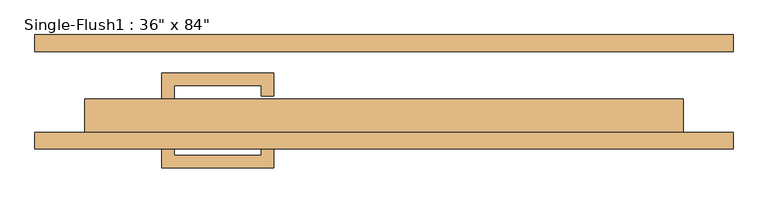
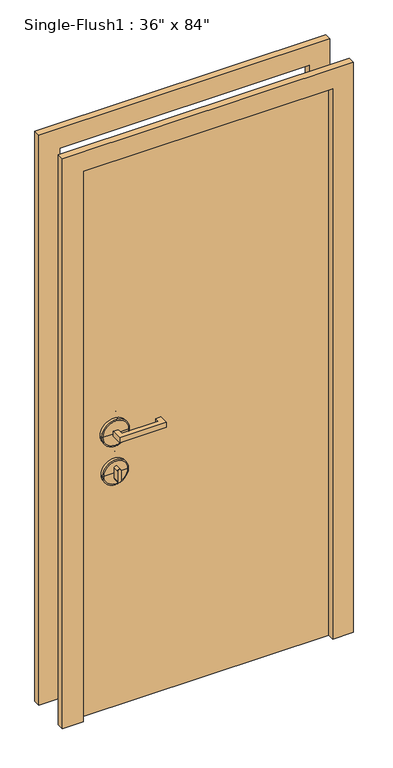
"""IFC4 building model written with IfcOpenShell, lengths in millimetres: door geometry."""

import ifcopenshell
import ifcopenshell.guid

model = None  # the IFC model being written
_history = None  # IfcOwnerHistory: only IFC2X3 demands one
_inside = {}  # id of a spatial element -> (the spatial element, [elements in it])
_under = {}  # id of a project, library or spatial element -> (it, [spatial elements below it])
_declared = {}  # id of a project -> (the project, [libraries it declares])
_typed = {}  # id of a type object -> (the type object, [elements of that type])
_made_of = {}  # id of a material, layer set ... -> (it, [elements and type objects made of it])


def new_model(schema):
    """Start an empty IFC model of exactly this schema.

    Asked for "IFC4X3", IfcOpenShell would pick the latest addendum, in which some entities
    have other attributes; the version numbers below select the first issue.
    IFC2X3 requires an IfcOwnerHistory on every rooted entity: one is made here for all.
    """
    global model, _history
    if schema == "IFC4X3":
        model = ifcopenshell.file(schema_version=(4, 3, 0, 0))
    else:
        model = ifcopenshell.file(schema=schema)
    _inside.clear()
    _under.clear()
    _declared.clear()
    _typed.clear()
    _made_of.clear()
    _history = None
    if model.schema == "IFC2X3":
        org = make("IfcOrganization", Name="unknown")
        user = make(
            "IfcPersonAndOrganization",
            ThePerson=make("IfcPerson", FamilyName="unknown"),
            TheOrganization=org,
        )
        app = make(
            "IfcApplication",
            ApplicationDeveloper=org,
            Version="unknown",
            ApplicationFullName="unknown",
            ApplicationIdentifier="unknown",
        )
        _history = make(
            "IfcOwnerHistory",
            OwningUser=user,
            OwningApplication=app,
            ChangeAction="ADDED",
            CreationDate=0,
        )
    return model


def make(cls, **values):
    """One entity of the class cls with the attributes given. An attribute that is None is left unset."""
    return model.create_entity(
        cls, **{name: value for name, value in values.items() if value is not None}
    )


def rooted(cls, **values):
    """An entity with a GlobalId (a new one), such as an element, a storey or a relation."""
    return make(cls, GlobalId=ifcopenshell.guid.new(), OwnerHistory=_history, **values)


def si_unit(unit_type, name, prefix=None):
    """IfcSIUnit, for example si_unit("LENGTHUNIT", "METRE", prefix="MILLI")."""
    return make("IfcSIUnit", UnitType=unit_type, Prefix=prefix, Name=name)


def assignment(units):
    """IfcUnitAssignment: the units of a project."""
    return None if units is None else make("IfcUnitAssignment", Units=units)


def point(xyz):
    """IfcCartesianPoint."""
    return None if xyz is None else make("IfcCartesianPoint", Coordinates=xyz)


def direction(xyz):
    """IfcDirection."""
    return None if xyz is None else make("IfcDirection", DirectionRatios=xyz)


def frame(location, z_axis=None, x_axis=None):
    """IfcAxis2Placement3D, a coordinate frame: its origin and axes. An axis left out is left unset."""
    return make(
        "IfcAxis2Placement3D",
        Location=point(location),
        Axis=direction(z_axis),
        RefDirection=direction(x_axis),
    )


def frame_2d(location, x_axis=None):
    """IfcAxis2Placement2D, a coordinate frame in the plane: its origin and x axis."""
    return make(
        "IfcAxis2Placement2D", Location=point(location), RefDirection=direction(x_axis)
    )


def origin():
    """The frame at (0, 0, 0) with its axes left unset."""
    return frame((0.0, 0.0, 0.0))


def origin_with_axes():
    """The frame at (0, 0, 0) with the z axis (0, 0, 1) and the x axis (1, 0, 0) written out."""
    return frame((0.0, 0.0, 0.0), z_axis=(0.0, 0.0, 1.0), x_axis=(1.0, 0.0, 0.0))


def place(relative_to, where):
    """IfcLocalPlacement: puts the frame where relative to a parent placement (None: the world)."""
    return make(
        "IfcLocalPlacement", PlacementRelTo=relative_to, RelativePlacement=where
    )


def context(
    kind, dimensions, precision=None, world=None, true_north=None, identifier=None
):
    """IfcGeometricRepresentationContext, for example the 3D "Model" context."""
    return make(
        "IfcGeometricRepresentationContext",
        ContextIdentifier=identifier,
        ContextType=kind,
        CoordinateSpaceDimension=dimensions,
        Precision=precision,
        WorldCoordinateSystem=world,
        TrueNorth=true_north,
    )


def project(units=None, contexts=None):
    """IfcProject with its units and contexts."""
    return rooted(
        "IfcProject",
        Name="project",
        RepresentationContexts=contexts,
        UnitsInContext=assignment(units),
    )


def spatial(cls, under=None, at=None, **own):
    """A site, building, storey or space (cls), placed at a placement, below another one or the project."""
    s = rooted(cls, ObjectPlacement=at, **own)
    if under is not None:
        _under.setdefault(under.id(), (under, []))[1].append(s)
    return s


def polyline(points):
    """IfcPolyline through the points."""
    return make("IfcPolyline", Points=[point(p) for p in points])


def circle_curve(where, radius):
    """IfcCircle in the frame where."""
    return make("IfcCircle", Position=where, Radius=radius)


def ellipse_curve(where, semi_axis1, semi_axis2):
    """IfcEllipse in the frame where."""
    return make(
        "IfcEllipse", Position=where, SemiAxis1=semi_axis1, SemiAxis2=semi_axis2
    )


def trimmed(basis, trim1, trim2, sense, master):
    """IfcTrimmedCurve: the piece of a basis curve between two trims."""
    return make(
        "IfcTrimmedCurve",
        BasisCurve=basis,
        Trim1=trim1,
        Trim2=trim2,
        SenseAgreement=sense,
        MasterRepresentation=master,
    )


def segment(curve, same_sense, transition):
    """IfcCompositeCurveSegment."""
    return make(
        "IfcCompositeCurveSegment",
        Transition=transition,
        SameSense=same_sense,
        ParentCurve=curve,
    )


def composite_curve(segments, self_intersect=None):
    """IfcCompositeCurve: segments joined end to end."""
    return make("IfcCompositeCurve", Segments=segments, SelfIntersect=self_intersect)


def outline(outer, holes=None, kind="AREA"):
    """IfcArbitraryClosedProfileDef: a profile drawn as a closed curve; with holes, ...WithVoids."""
    if holes is None:
        return make("IfcArbitraryClosedProfileDef", ProfileType=kind, OuterCurve=outer)
    return make(
        "IfcArbitraryProfileDefWithVoids",
        ProfileType=kind,
        OuterCurve=outer,
        InnerCurves=holes,
    )


def extrude(swept, where, along, depth):
    """IfcExtrudedAreaSolid: the profile swept, set in the frame where, extruded along a direction by depth."""
    return make(
        "IfcExtrudedAreaSolid",
        SweptArea=swept,
        Position=where,
        ExtrudedDirection=direction(along),
        Depth=depth,
    )


def shape(context_of_items, identifier, shape_type, items):
    """IfcShapeRepresentation: the items that make up one representation, for example the "Body"."""
    return make(
        "IfcShapeRepresentation",
        ContextOfItems=context_of_items,
        RepresentationIdentifier=identifier,
        RepresentationType=shape_type,
        Items=items,
    )


def source(mapping_origin, context_of_items, identifier, shape_type, items):
    """IfcRepresentationMap: a shape defined once, which mapped items show again and again."""
    return make(
        "IfcRepresentationMap",
        MappingOrigin=mapping_origin,
        MappedRepresentation=shape(context_of_items, identifier, shape_type, items),
    )


def transform(
    local_origin,
    x_axis=None,
    y_axis=None,
    z_axis=None,
    scale=None,
    scale2=None,
    scale3=None,
    uniform=True,
):
    """IfcCartesianTransformationOperator3D, or its non-uniform kind. x_axis, y_axis, z_axis: its Axis1, 2, 3."""
    if uniform:
        return make(
            "IfcCartesianTransformationOperator3D",
            Axis1=direction(x_axis),
            Axis2=direction(y_axis),
            LocalOrigin=point(local_origin),
            Scale=scale,
            Axis3=direction(z_axis),
        )
    return make(
        "IfcCartesianTransformationOperator3DnonUniform",
        Axis1=direction(x_axis),
        Axis2=direction(y_axis),
        LocalOrigin=point(local_origin),
        Scale=scale,
        Axis3=direction(z_axis),
        Scale2=scale2,
        Scale3=scale3,
    )


def mapped(mapping_source, mapping_target):
    """IfcMappedItem: shows the shape of a source again, moved by a transform."""
    return make(
        "IfcMappedItem", MappingSource=mapping_source, MappingTarget=mapping_target
    )


def made_of(thing, what):
    """Note that an element or type object is made of a material, layer set ...; save() writes the relation."""
    if what is not None:
        _made_of.setdefault(what.id(), (what, []))[1].append(thing)
    return thing


def element(
    cls,
    number,
    at=None,
    inside=None,
    cuts=None,
    type_object=None,
    material=None,
    context=None,
    identifier="Body",
    shape_type=None,
    held_by="IfcProductDefinitionShape",
    body=None,
    shapes=None,
    **own,
):
    """One element of the class cls, such as IfcWall. Its Tag is "e" and its number.

    at: its placement. inside: the storey or other place that contains it. cuts: it is an
    opening in that element (IfcRelVoidsElement). A single representation is given by context,
    identifier, shape_type and body (its items); several are given by shapes. held_by: the class
    of the entity that holds the representations. save() writes the other relations.
    """
    e = rooted(cls, Tag="e%d" % number, ObjectPlacement=at, **own)
    if body is not None:
        shapes = [shape(context, identifier, shape_type, body)]
    if shapes is not None:
        e.Representation = make(held_by, Representations=shapes)
    if inside is not None:
        _inside.setdefault(inside.id(), (inside, []))[1].append(e)
    if cuts is not None:
        rooted(
            "IfcRelVoidsElement", RelatingBuildingElement=cuts, RelatedOpeningElement=e
        )
    if type_object is not None:
        _typed.setdefault(type_object.id(), (type_object, []))[1].append(e)
    return made_of(e, material)


def aggregate(whole, parts):
    """IfcRelAggregates: a whole, such as a stair, and the parts it consists of."""
    return rooted("IfcRelAggregates", RelatingObject=whole, RelatedObjects=parts)


def save(model, path):
    """Write the relations noted so far, then the file.

    IfcRelAggregates (storeys below a building ...), IfcRelContainedInSpatialStructure (elements
    in a storey), IfcRelDefinesByType, IfcRelAssociatesMaterial and IfcRelDeclares: one each for
    every whole, place, type object, material and project.
    """
    for whole, parts in _under.values():
        aggregate(whole, parts)
    for where, things in _inside.values():
        rooted(
            "IfcRelContainedInSpatialStructure",
            RelatedElements=things,
            RelatingStructure=where,
        )
    for kind, things in _typed.values():
        rooted("IfcRelDefinesByType", RelatedObjects=things, RelatingType=kind)
    for what, things in _made_of.values():
        rooted("IfcRelAssociatesMaterial", RelatedObjects=things, RelatingMaterial=what)
    for by, libraries in _declared.values():
        rooted("IfcRelDeclares", RelatingContext=by, RelatedDefinitions=libraries)
    model.write(path)


def plane_surface(at):
    """IfcPlane: the flat surface through the origin of the frame at, square to its z axis."""
    return make("IfcPlane", Position=at)


def cylinder_surface(at, radius):
    """IfcCylindricalSurface: all points at the distance radius from the z axis of the frame at."""
    return make("IfcCylindricalSurface", Position=at, Radius=radius)


def revolved_surface(curve, axis_point, axis_direction):
    """IfcSurfaceOfRevolution: the curve turned about the line through axis_point along axis_direction."""
    return make(
        "IfcSurfaceOfRevolution",
        SweptCurve=make("IfcArbitraryOpenProfileDef", ProfileType="CURVE", Curve=curve),
        AxisPosition=make("IfcAxis1Placement", Location=point(axis_point), Axis=direction(axis_direction)),
    )


def advanced_brep(points, edges, surfaces, faces):
    """IfcAdvancedBrep: a solid bounded by faces that lie on surfaces and meet in shared edges.

    An edge is (start, end): straight between two places in points (the first is 0);
    or (start, end, curve); or (start, end, curve, False) where it runs against its curve.
    A face is (place in surfaces, loops), or (place, loops, False) where it looks against
    its surface's normal. A loop lists edges by number (the first is 1), with a minus sign
    where the edge is run from its end to its start. The first loop is the outer one.
    """
    corners = [point(p) for p in points]
    vertices = [make("IfcVertexPoint", VertexGeometry=c) for c in corners]
    made = []
    for start, end, *more in edges:
        made.append(
            make(
                "IfcEdgeCurve",
                EdgeStart=vertices[start],
                EdgeEnd=vertices[end],
                EdgeGeometry=more[0] if more else make("IfcPolyline", Points=[corners[start], corners[end]]),
                SameSense=more[1] if len(more) > 1 else True,
            )
        )
    hull = []
    for where, loops, *sense in faces:
        bounds = []
        for j, loop in enumerate(loops):
            ring = [make("IfcOrientedEdge", EdgeElement=made[abs(k) - 1], Orientation=k > 0) for k in loop]
            bounds.append(
                make(
                    "IfcFaceOuterBound" if j == 0 else "IfcFaceBound",
                    Bound=make("IfcEdgeLoop", EdgeList=ring),
                    Orientation=True,
                )
            )
        hull.append(make("IfcAdvancedFace", Bounds=bounds, FaceSurface=surfaces[where], SameSense=sense[0] if sense else True))
    return make("IfcAdvancedBrep", Outer=make("IfcClosedShell", CfsFaces=hull))


def door_87f6997e(model_context):
    return source(origin(), model_context, "Body", "SolidModel", [
        extrude(outline(polyline([(-320.675, -12.7), (-339.725, -12.7), (-339.725, 28.575), (-168.275, 28.575), (-168.275, -6.35), (-187.325, -6.35), (-187.325, 9.525), (-320.675, 9.525), (-320.675, -12.7)])), frame((0.0, 0.0, 1057.275), z_axis=(0.0, 0.0, 1.0), x_axis=(1.0, 0.0, 0.0)), (0.0, 0.0, 1.0), 19.05),
        extrude(outline(composite_curve([segment(trimmed(circle_curve(frame_2d((895.35, -330.2)), 6.35), [point((895.35, -336.55))], [point((895.35, -323.85))], False, "CARTESIAN"), True, "CONTINUOUS"), segment(polyline([(895.35, -323.85), (933.45, -323.85)]), True, "CONTINUOUS"), segment(trimmed(circle_curve(frame_2d((933.45, -330.2)), 6.35), [point((933.45, -323.85))], [point((933.45, -336.55))], False, "CARTESIAN"), True, "CONTINUOUS"), segment(polyline([(933.45, -336.55), (895.35, -336.55)]), True, "CONTINUOUS")], self_intersect=False)), frame((0.0, -12.7, 0.0), z_axis=(0.0, 1.0, 0.0), x_axis=(0.0, 0.0, 1.0)), (0.0, 0.0, 1.0), 22.225),
        advanced_brep(
        [(-282.575, -15.875, 914.4), (-377.825, -15.875, 914.4), (-377.825, -25.4, 914.4), (-282.575, -25.4, 914.4), (-285.75, -12.7, 914.4), (-374.65, -12.7, 914.4), (-330.2, -12.7, 914.4), (-330.2, -25.4, 914.4)],
        [
            (0, 1, circle_curve(frame((-330.2, -15.875, 914.4), z_axis=(0.0, -1.0, 0.0), x_axis=(-1.0, 0.0, 0.0)), 47.625)),
            (1, 2),
            (2, 3, circle_curve(frame((-330.2, -25.4, 914.4), z_axis=(0.0, 1.0, 0.0), x_axis=(-1.0, 0.0, 0.0)), 47.625)),
            (3, 0),
            (1, 0, circle_curve(frame((-330.2, -15.875, 914.4), z_axis=(0.0, -1.0, 0.0), x_axis=(-1.0, 0.0, 0.0)), 47.625)),
            (3, 2, circle_curve(frame((-330.2, -25.4, 914.4), z_axis=(0.0, 1.0, 0.0), x_axis=(-1.0, 0.0, 0.0)), 47.625)),
            (4, 5, circle_curve(frame((-330.2, -12.7, 914.4), z_axis=(0.0, -1.0, 0.0), x_axis=(-1.0, 0.0, 0.0)), 44.45)),
            (5, 1, circle_curve(frame((-374.65, -15.875, 914.4), z_axis=(0.0, 0.0, 1.0), x_axis=(1.0, 0.0, 0.0)), 3.175)),
            (0, 4, circle_curve(frame((-285.75, -15.875, 914.4), z_axis=(0.0, 0.0, 1.0), x_axis=(-1.0, 0.0, 0.0)), 3.175)),
            (5, 4, circle_curve(frame((-330.2, -12.7, 914.4), z_axis=(0.0, -1.0, 0.0), x_axis=(-1.0, 0.0, 0.0)), 44.45)),
            (6, 5),
            (4, 6),
            (2, 7),
            (7, 3),
        ],
        [
            cylinder_surface(frame((-330.2, -152.4, 914.4), z_axis=(0.0, 1.0, 0.0), x_axis=(-1.0, 0.0, 0.0)), 47.625),
            revolved_surface(trimmed(ellipse_curve(frame((-374.65, -15.875, 914.4), z_axis=(0.0, 0.0, -1.0), x_axis=(1.0, 0.0, 0.0)), 3.175, 3.175), [point((-377.825, -15.875, 914.4))], [point((-374.65, -12.7, 914.4))], True, "CARTESIAN"), (-330.2, -152.4, 914.4), (0.0, 1.0, 0.0)),
            plane_surface(frame((-330.2, -12.7, 914.4), z_axis=(0.0, 1.0, 0.0), x_axis=(-1.0, 0.0, 0.0))),
            plane_surface(frame((-330.2, -25.4, 914.4), z_axis=(0.0, -1.0, 0.0), x_axis=(-1.0, 0.0, 0.0))),
        ],
        [
            (0, [[1, 2, 3, 4]]),
            (0, [[5, -4, 6, -2]]),
            (1, [[7, 8, -1, 9]]),
            (1, [[10, -9, -5, -8]]),
            (2, [[11, -7, 12]]),
            (2, [[-12, -10, -11]]),
            (3, [[-3, 13, 14]]),
            (3, [[-6, -14, -13]]),
        ],
    ),
        advanced_brep(
        [(-279.4, -15.875, 1066.8), (-381.0, -15.875, 1066.8), (-381.0, -25.4, 1066.8), (-279.4, -25.4, 1066.8), (-282.575, -12.7, 1066.8), (-377.825, -12.7, 1066.8), (-330.2, -12.7, 1066.8), (-330.2, -25.4, 1066.8)],
        [
            (0, 1, circle_curve(frame((-330.2, -15.875, 1066.8), z_axis=(0.0, -1.0, 0.0), x_axis=(-1.0, 0.0, 0.0)), 50.8)),
            (1, 2),
            (2, 3, circle_curve(frame((-330.2, -25.4, 1066.8), z_axis=(0.0, 1.0, 0.0), x_axis=(-1.0, 0.0, 0.0)), 50.8)),
            (3, 0),
            (1, 0, circle_curve(frame((-330.2, -15.875, 1066.8), z_axis=(0.0, -1.0, 0.0), x_axis=(-1.0, 0.0, 0.0)), 50.8)),
            (3, 2, circle_curve(frame((-330.2, -25.4, 1066.8), z_axis=(0.0, 1.0, 0.0), x_axis=(-1.0, 0.0, 0.0)), 50.8)),
            (4, 5, circle_curve(frame((-330.2, -12.7, 1066.8), z_axis=(0.0, -1.0, 0.0), x_axis=(-1.0, 0.0, 0.0)), 47.625)),
            (5, 1, circle_curve(frame((-377.825, -15.875, 1066.8), z_axis=(0.0, 0.0, 1.0), x_axis=(1.0, 0.0, 0.0)), 3.175)),
            (0, 4, circle_curve(frame((-282.575, -15.875, 1066.8), z_axis=(0.0, 0.0, 1.0), x_axis=(-1.0, 0.0, 0.0)), 3.175)),
            (5, 4, circle_curve(frame((-330.2, -12.7, 1066.8), z_axis=(0.0, -1.0, 0.0), x_axis=(-1.0, 0.0, 0.0)), 47.625)),
            (6, 5),
            (4, 6),
            (2, 7),
            (7, 3),
        ],
        [
            cylinder_surface(frame((-330.2, -152.4, 1066.8), z_axis=(0.0, 1.0, 0.0), x_axis=(-1.0, 0.0, 0.0)), 50.8),
            revolved_surface(trimmed(ellipse_curve(frame((-377.825, -15.875, 1066.8), z_axis=(0.0, 0.0, -1.0), x_axis=(1.0, 0.0, 0.0)), 3.175, 3.175), [point((-381.0, -15.875, 1066.8))], [point((-377.825, -12.7, 1066.8))], True, "CARTESIAN"), (-330.2, -152.4, 1066.8), (0.0, 1.0, 0.0)),
            plane_surface(frame((-330.2, -12.7, 1066.8), z_axis=(0.0, 1.0, 0.0), x_axis=(-1.0, 0.0, 0.0))),
            plane_surface(frame((-330.2, -25.4, 1066.8), z_axis=(0.0, -1.0, 0.0), x_axis=(-1.0, 0.0, 0.0))),
        ],
        [
            (0, [[1, 2, 3, 4]]),
            (0, [[5, -4, 6, -2]]),
            (1, [[7, 8, -1, 9]]),
            (1, [[10, -9, -5, -8]]),
            (2, [[11, -7, 12]]),
            (2, [[-12, -10, -11]]),
            (3, [[-3, 13, 14]]),
            (3, [[-6, -14, -13]]),
        ],
    ),
        extrude(outline(polyline([(-320.675, -74.6125), (-320.675, -96.8375), (-187.325, -96.8375), (-187.325, -80.9625), (-168.275, -80.9625), (-168.275, -115.8875), (-339.725, -115.8875), (-339.725, -74.6125), (-320.675, -74.6125)])), frame((0.0, 0.0, 1057.275), z_axis=(0.0, 0.0, 1.0), x_axis=(1.0, 0.0, 0.0)), (0.0, 0.0, 1.0), 19.05),
        extrude(outline(composite_curve([segment(trimmed(circle_curve(frame_2d((895.35, -330.2)), 6.35), [point((895.35, -336.55))], [point((895.35, -323.85))], False, "CARTESIAN"), True, "CONTINUOUS"), segment(polyline([(895.35, -323.85), (933.45, -323.85)]), True, "CONTINUOUS"), segment(trimmed(circle_curve(frame_2d((933.45, -330.2)), 6.35), [point((933.45, -323.85))], [point((933.45, -336.55))], False, "CARTESIAN"), True, "CONTINUOUS"), segment(polyline([(933.45, -336.55), (895.35, -336.55)]), True, "CONTINUOUS")], self_intersect=False)), frame((0.0, -96.8375, 0.0), z_axis=(0.0, 1.0, 0.0), x_axis=(0.0, 0.0, 1.0)), (0.0, 0.0, 1.0), 22.225),
        advanced_brep(
        [(-282.575, -71.4375, 914.4), (-282.575, -61.9125, 914.4), (-377.825, -61.9125, 914.4), (-377.825, -71.4375, 914.4), (-285.75, -74.6125, 914.4), (-374.65, -74.6125, 914.4), (-330.2, -74.6125, 914.4), (-330.2, -61.9125, 914.4)],
        [
            (0, 1),
            (1, 2, circle_curve(frame((-330.2, -61.9125, 914.4), z_axis=(0.0, -1.0, 0.0), x_axis=(-1.0, 0.0, 0.0)), 47.625)),
            (2, 3),
            (3, 0, circle_curve(frame((-330.2, -71.4375, 914.4), z_axis=(0.0, 1.0, 0.0), x_axis=(-1.0, 0.0, 0.0)), 47.625)),
            (2, 1, circle_curve(frame((-330.2, -61.9125, 914.4), z_axis=(0.0, -1.0, 0.0), x_axis=(-1.0, 0.0, 0.0)), 47.625)),
            (0, 3, circle_curve(frame((-330.2, -71.4375, 914.4), z_axis=(0.0, 1.0, 0.0), x_axis=(-1.0, 0.0, 0.0)), 47.625)),
            (4, 0, circle_curve(frame((-285.75, -71.4375, 914.4), z_axis=(0.0, 0.0, 1.0), x_axis=(-1.0, 0.0, 0.0)), 3.175)),
            (3, 5, circle_curve(frame((-374.65, -71.4375, 914.4), z_axis=(0.0, 0.0, 1.0), x_axis=(1.0, 0.0, 0.0)), 3.175)),
            (5, 4, circle_curve(frame((-330.2, -74.6125, 914.4), z_axis=(0.0, 1.0, 0.0), x_axis=(-1.0, 0.0, 0.0)), 44.45)),
            (4, 5, circle_curve(frame((-330.2, -74.6125, 914.4), z_axis=(0.0, 1.0, 0.0), x_axis=(-1.0, 0.0, 0.0)), 44.45)),
            (6, 4),
            (5, 6),
            (1, 7),
            (7, 2),
        ],
        [
            cylinder_surface(frame((-330.2, 65.0875, 914.4), z_axis=(0.0, -1.0, 0.0), x_axis=(-1.0, 0.0, 0.0)), 47.625),
            revolved_surface(trimmed(ellipse_curve(frame((-374.65, -71.4375, 914.4), z_axis=(0.0, 0.0, 1.0), x_axis=(1.0, 0.0, 0.0)), 3.175, 3.175), [point((-377.825, -71.4375, 914.4))], [point((-374.65, -74.6125, 914.4))], True, "CARTESIAN"), (-330.2, 65.0875, 914.4), (0.0, -1.0, 0.0)),
            plane_surface(frame((-330.2, -74.6125, 914.4), z_axis=(0.0, -1.0, 0.0), x_axis=(-1.0, 0.0, 0.0))),
            plane_surface(frame((-330.2, -61.9125, 914.4), z_axis=(0.0, 1.0, 0.0), x_axis=(-1.0, 0.0, 0.0))),
        ],
        [
            (0, [[1, 2, 3, 4]]),
            (0, [[-3, 5, -1, 6]]),
            (1, [[7, -4, 8, 9]]),
            (1, [[-8, -6, -7, 10]]),
            (2, [[11, -9, 12]]),
            (2, [[-12, -10, -11]]),
            (3, [[13, 14, -2]]),
            (3, [[-14, -13, -5]]),
        ],
    ),
        advanced_brep(
        [(-279.4, -71.4375, 1066.8), (-279.4, -61.9125, 1066.8), (-381.0, -61.9125, 1066.8), (-381.0, -71.4375, 1066.8), (-282.575, -74.6125, 1066.8), (-377.825, -74.6125, 1066.8), (-330.2, -74.6125, 1066.8), (-330.2, -61.9125, 1066.8)],
        [
            (0, 1),
            (1, 2, circle_curve(frame((-330.2, -61.9125, 1066.8), z_axis=(0.0, -1.0, 0.0), x_axis=(-1.0, 0.0, 0.0)), 50.8)),
            (2, 3),
            (3, 0, circle_curve(frame((-330.2, -71.4375, 1066.8), z_axis=(0.0, 1.0, 0.0), x_axis=(-1.0, 0.0, 0.0)), 50.8)),
            (2, 1, circle_curve(frame((-330.2, -61.9125, 1066.8), z_axis=(0.0, -1.0, 0.0), x_axis=(-1.0, 0.0, 0.0)), 50.8)),
            (0, 3, circle_curve(frame((-330.2, -71.4375, 1066.8), z_axis=(0.0, 1.0, 0.0), x_axis=(-1.0, 0.0, 0.0)), 50.8)),
            (4, 0, circle_curve(frame((-282.575, -71.4375, 1066.8), z_axis=(0.0, 0.0, 1.0), x_axis=(-1.0, 0.0, 0.0)), 3.175)),
            (3, 5, circle_curve(frame((-377.825, -71.4375, 1066.8), z_axis=(0.0, 0.0, 1.0), x_axis=(1.0, 0.0, 0.0)), 3.175)),
            (5, 4, circle_curve(frame((-330.2, -74.6125, 1066.8), z_axis=(0.0, 1.0, 0.0), x_axis=(-1.0, 0.0, 0.0)), 47.625)),
            (4, 5, circle_curve(frame((-330.2, -74.6125, 1066.8), z_axis=(0.0, 1.0, 0.0), x_axis=(-1.0, 0.0, 0.0)), 47.625)),
            (6, 4),
            (5, 6),
            (1, 7),
            (7, 2),
        ],
        [
            cylinder_surface(frame((-330.2, 65.0875, 1066.8), z_axis=(0.0, -1.0, 0.0), x_axis=(-1.0, 0.0, 0.0)), 50.8),
            revolved_surface(trimmed(ellipse_curve(frame((-377.825, -71.4375, 1066.8), z_axis=(0.0, 0.0, 1.0), x_axis=(1.0, 0.0, 0.0)), 3.175, 3.175), [point((-381.0, -71.4375, 1066.8))], [point((-377.825, -74.6125, 1066.8))], True, "CARTESIAN"), (-330.2, 65.0875, 1066.8), (0.0, -1.0, 0.0)),
            plane_surface(frame((-330.2, -74.6125, 1066.8), z_axis=(0.0, -1.0, 0.0), x_axis=(-1.0, 0.0, 0.0))),
            plane_surface(frame((-330.2, -61.9125, 1066.8), z_axis=(0.0, 1.0, 0.0), x_axis=(-1.0, 0.0, 0.0))),
        ],
        [
            (0, [[1, 2, 3, 4]]),
            (0, [[-3, 5, -1, 6]]),
            (1, [[7, -4, 8, 9]]),
            (1, [[-8, -6, -7, 10]]),
            (2, [[11, -9, 12]]),
            (2, [[-12, -10, -11]]),
            (3, [[13, 14, -2]]),
            (3, [[-14, -13, -5]]),
        ],
    ),
        extrude(outline(polyline([(2209.8, -533.4), (0.0, -533.4), (0.0, -457.2), (2133.6, -457.2), (2133.6, 457.2), (0.0, 457.2), (0.0, 533.4), (2209.8, 533.4), (2209.8, -533.4)])), frame((0.0, -87.3125, 0.0), z_axis=(0.0, 1.0, 0.0), x_axis=(0.0, 0.0, 1.0)), (0.0, 0.0, 1.0), 25.4),
        extrude(outline(polyline([(2209.8, 533.4), (2209.8, -533.4), (0.0, -533.4), (0.0, -457.2), (2133.6, -457.2), (2133.6, 457.2), (0.0, 457.2), (0.0, 533.4), (2209.8, 533.4)])), frame((0.0, 61.9125, 0.0), z_axis=(0.0, 1.0, 0.0), x_axis=(0.0, 0.0, 1.0)), (0.0, 0.0, 1.0), 25.4),
        extrude(outline(polyline([(457.2, -11.1125), (457.2, -61.9125), (-457.2, -61.9125), (-457.2, -11.1125), (457.2, -11.1125)])), origin_with_axes(), (0.0, 0.0, 1.0), 2133.6),
    ])


if __name__ == "__main__":
    model = new_model("IFC4")
    model_context = context("Model", 3, world=origin())
    ifc_project = project(units=[si_unit("LENGTHUNIT", "METRE", prefix="MILLI")], contexts=[model_context])
    site = spatial("IfcSite", under=ifc_project)
    building = spatial("IfcBuilding", under=site)
    placement = place(None, origin())
    door_shape = door_87f6997e(model_context)
    element("IfcDoor", 1, ObjectType="Single-Flush1 : 36\" x 84\"", at=placement, inside=building, context=model_context, shape_type="MappedRepresentation", body=[
        mapped(door_shape, transform((0.0, 0.0, 0.0), x_axis=(1.0, 0.0, 0.0), y_axis=(0.0, 1.0, 0.0), z_axis=(0.0, 0.0, 1.0))),
    ])
    save(model, "model.ifc")
